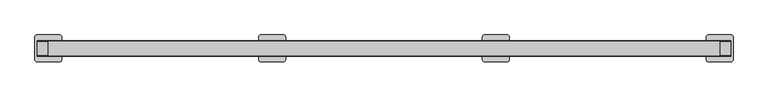
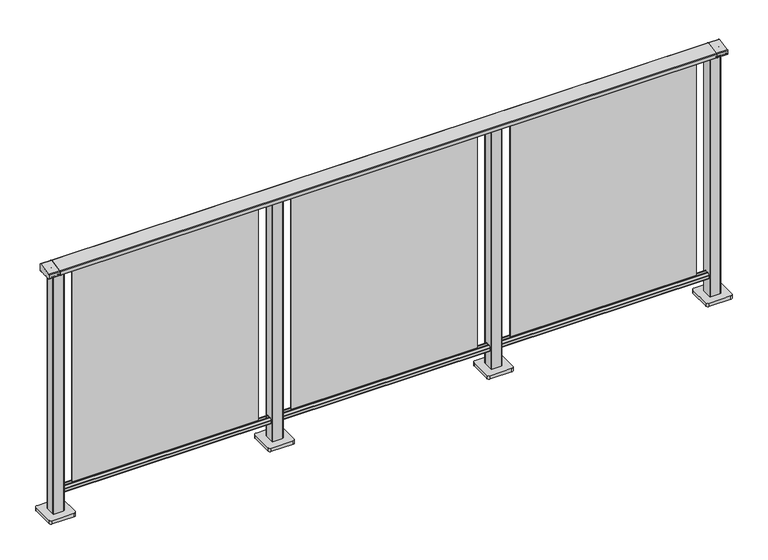
"""IFC4 building model written with IfcOpenShell, lengths in millimetres: railing geometry."""

from ifc_helpers import new_model, si_unit, point, frame, frame_2d, origin, origin_with_axes, place, context, project, spatial, polyline, circle_curve, trimmed, segment, composite_curve, outline, extrude, source, transform, mapped, element, save
from ifc_brep_helpers import plane_surface, cylinder_surface, advanced_brep


def railing_aa42b84e(model_context):
    return source(origin(), model_context, "Body", "SolidModel", [
        extrude(outline(composite_curve([segment(trimmed(circle_curve(frame_2d((10327.8594975, 1197.0)), 3.0), [point((10327.338553, 1199.9544233))], [point((10330.8594975, 1197.0))], False, "CARTESIAN"), True, "CONTINUOUS"), segment(polyline([(10330.8594975, 1197.0), (10330.8594975, 1169.2)]), True, "CONTINUOUS"), segment(trimmed(circle_curve(frame_2d((10327.8594975, 1169.2)), 3.0), [point((10330.8594975, 1169.2))], [point((10327.8594975, 1166.2))], False, "CARTESIAN"), True, "CONTINUOUS"), segment(polyline([(10327.8594975, 1166.2), (10304.1783618, 1166.2)]), True, "CONTINUOUS"), segment(trimmed(circle_curve(frame_2d((10295.851515, 1183.2818957)), 19.003356), [point((10304.1783618, 1166.2))], [point((10287.5246681, 1166.2))], False, "CARTESIAN"), True, "CONTINUOUS"), segment(polyline([(10287.5246681, 1166.2), (10263.8594975, 1166.2)]), True, "CONTINUOUS"), segment(trimmed(circle_curve(frame_2d((10263.8594975, 1169.2)), 3.0), [point((10263.8594975, 1166.2))], [point((10260.8594975, 1169.2))], False, "CARTESIAN"), True, "CONTINUOUS"), segment(polyline([(10260.8594975, 1169.2), (10260.8594975, 1185.7150732)]), True, "CONTINUOUS"), segment(trimmed(circle_curve(frame_2d((10263.8594975, 1185.7150732)), 3.0), [point((10260.8594975, 1185.7150732))], [point((10263.338553, 1188.6694965))], False, "CARTESIAN"), True, "CONTINUOUS"), segment(polyline([(10263.338553, 1188.6694965), (10327.338553, 1199.9544233)]), True, "CONTINUOUS")], self_intersect=False)), frame((3681.3946925, 0.0, 0.0), z_axis=(1.0, 0.0, 0.0), x_axis=(0.0, 1.0, 0.0)), (0.0, 0.0, 1.0), 3000.0),
        extrude(outline(composite_curve([segment(trimmed(circle_curve(frame_2d((10280.1507946, 101.8)), 1.8), [point((10280.1507946, 100.0))], [point((10278.3507946, 101.8))], False, "CARTESIAN"), True, "CONTINUOUS"), segment(polyline([(10278.3507946, 101.8), (10278.3507946, 115.5269955)]), True, "CONTINUOUS"), segment(trimmed(circle_curve(frame_2d((10280.1507946, 115.5269955)), 1.8), [point((10278.3507946, 115.5269955))], [point((10278.7923377, 116.7079252))], False, "CARTESIAN"), True, "CONTINUOUS"), segment(polyline([(10278.7923377, 116.7079252), (10285.4626112, 124.3809297)]), True, "CONTINUOUS"), segment(trimmed(circle_curve(frame_2d((10286.8210681, 123.2)), 1.8), [point((10285.4626112, 124.3809297))], [point((10286.8210681, 125.0))], False, "CARTESIAN"), True, "CONTINUOUS"), segment(polyline([(10286.8210681, 125.0), (10290.5111103, 125.0), (10291.809167, 113.0), (10299.8924651, 113.0), (10301.1904968, 125.0), (10304.880515, 125.0)]), True, "CONTINUOUS"), segment(trimmed(circle_curve(frame_2d((10304.880515, 123.2)), 1.8), [point((10304.880515, 125.0))], [point((10306.2389697, 124.3809322))], False, "CARTESIAN"), True, "CONTINUOUS"), segment(polyline([(10306.2389697, 124.3809322), (10312.9092682, 116.7079277)]), True, "CONTINUOUS"), segment(trimmed(circle_curve(frame_2d((10311.5508136, 115.5269955)), 1.8), [point((10312.9092682, 116.7079277))], [point((10313.3508136, 115.5269955))], False, "CARTESIAN"), True, "CONTINUOUS"), segment(polyline([(10313.3508136, 115.5269955), (10313.3508136, 101.8)]), True, "CONTINUOUS"), segment(trimmed(circle_curve(frame_2d((10311.5508136, 101.8)), 1.8), [point((10313.3508136, 101.8))], [point((10311.5508136, 100.0))], False, "CARTESIAN"), True, "CONTINUOUS"), segment(polyline([(10311.5508136, 100.0), (10280.1507946, 100.0)]), True, "CONTINUOUS")], self_intersect=False)), frame((3681.3946925, 0.0, 0.0), z_axis=(1.0, 0.0, 0.0), x_axis=(0.0, 1.0, 0.0)), (0.0, 0.0, 1.0), 3000.0),
        extrude(outline(polyline([(5756.3946925, 10293.8508041), (5756.3946925, 10297.8508041), (6606.3946925, 10297.8508041), (6606.3946925, 10293.8508041), (5756.3946925, 10293.8508041)])), frame((0.0, 0.0, 125.0), z_axis=(0.0, 0.0, 1.0), x_axis=(1.0, 0.0, 0.0)), (0.0, 0.0, 1.0), 1039.2785397),
        extrude(outline(composite_curve([segment(polyline([(5655.994681, 10273.4507816), (5655.994681, 10318.2508046)]), True, "CONTINUOUS"), segment(trimmed(circle_curve(frame_2d((5658.994681, 10318.2508046)), 3.0), [point((5655.994681, 10318.2508046))], [point((5658.994681, 10321.2508046))], False, "CARTESIAN"), True, "CONTINUOUS"), segment(polyline([(5658.994681, 10321.2508046), (5703.794704, 10321.2508046)]), True, "CONTINUOUS"), segment(trimmed(circle_curve(frame_2d((5703.794704, 10318.2508046)), 3.0), [point((5703.794704, 10321.2508046))], [point((5706.794704, 10318.2508046))], False, "CARTESIAN"), True, "CONTINUOUS"), segment(polyline([(5706.794704, 10318.2508046), (5706.794704, 10273.4507816)]), True, "CONTINUOUS"), segment(trimmed(circle_curve(frame_2d((5703.794704, 10273.4507816)), 3.0), [point((5706.794704, 10273.4507816))], [point((5703.794704, 10270.4507816))], False, "CARTESIAN"), True, "CONTINUOUS"), segment(polyline([(5703.794704, 10270.4507816), (5658.994681, 10270.4507816)]), True, "CONTINUOUS"), segment(trimmed(circle_curve(frame_2d((5658.994681, 10273.4507816)), 3.0), [point((5658.994681, 10270.4507816))], [point((5655.994681, 10273.4507816))], False, "CARTESIAN"), True, "CONTINUOUS")], self_intersect=False)), frame((0.0, 0.0, 16.0), z_axis=(0.0, 0.0, 1.0), x_axis=(1.0, 0.0, 0.0)), (0.0, 0.0, 1.0), 1148.2785397),
        extrude(outline(composite_curve([segment(polyline([(5621.394681, 10245.8507931), (5621.394681, 10345.8507931)]), True, "CONTINUOUS"), segment(trimmed(circle_curve(frame_2d((5631.394681, 10345.8507931)), 10.0), [point((5621.394681, 10345.8507931))], [point((5631.394681, 10355.8507931))], False, "CARTESIAN"), True, "CONTINUOUS"), segment(polyline([(5631.394681, 10355.8507931), (5731.394681, 10355.8507931)]), True, "CONTINUOUS"), segment(trimmed(circle_curve(frame_2d((5731.394681, 10345.8507931)), 10.0), [point((5731.394681, 10355.8507931))], [point((5741.394681, 10345.8507931))], False, "CARTESIAN"), True, "CONTINUOUS"), segment(polyline([(5741.394681, 10345.8507931), (5741.394681, 10245.8507931)]), True, "CONTINUOUS"), segment(trimmed(circle_curve(frame_2d((5731.394681, 10245.8507931)), 10.0), [point((5741.394681, 10245.8507931))], [point((5731.394681, 10235.8507931))], False, "CARTESIAN"), True, "CONTINUOUS"), segment(polyline([(5731.394681, 10235.8507931), (5631.394681, 10235.8507931)]), True, "CONTINUOUS"), segment(trimmed(circle_curve(frame_2d((5631.394681, 10245.8507931)), 10.0), [point((5631.394681, 10235.8507931))], [point((5621.394681, 10245.8507931))], False, "CARTESIAN"), True, "CONTINUOUS")], self_intersect=False)), origin_with_axes(), (0.0, 0.0, 1.0), 16.0),
        extrude(outline(polyline([(4756.3946925, 10293.8508041), (4756.3946925, 10297.8508041), (5606.3946925, 10297.8508041), (5606.3946925, 10293.8508041), (4756.3946925, 10293.8508041)])), frame((0.0, 0.0, 125.0), z_axis=(0.0, 0.0, 1.0), x_axis=(1.0, 0.0, 0.0)), (0.0, 0.0, 1.0), 1039.2785397),
        extrude(outline(composite_curve([segment(polyline([(4655.994681, 10273.4507816), (4655.994681, 10318.2508046)]), True, "CONTINUOUS"), segment(trimmed(circle_curve(frame_2d((4658.994681, 10318.2508046)), 3.0), [point((4655.994681, 10318.2508046))], [point((4658.994681, 10321.2508046))], False, "CARTESIAN"), True, "CONTINUOUS"), segment(polyline([(4658.994681, 10321.2508046), (4703.794704, 10321.2508046)]), True, "CONTINUOUS"), segment(trimmed(circle_curve(frame_2d((4703.794704, 10318.2508046)), 3.0), [point((4703.794704, 10321.2508046))], [point((4706.794704, 10318.2508046))], False, "CARTESIAN"), True, "CONTINUOUS"), segment(polyline([(4706.794704, 10318.2508046), (4706.794704, 10273.4507816)]), True, "CONTINUOUS"), segment(trimmed(circle_curve(frame_2d((4703.794704, 10273.4507816)), 3.0), [point((4706.794704, 10273.4507816))], [point((4703.794704, 10270.4507816))], False, "CARTESIAN"), True, "CONTINUOUS"), segment(polyline([(4703.794704, 10270.4507816), (4658.994681, 10270.4507816)]), True, "CONTINUOUS"), segment(trimmed(circle_curve(frame_2d((4658.994681, 10273.4507816)), 3.0), [point((4658.994681, 10270.4507816))], [point((4655.994681, 10273.4507816))], False, "CARTESIAN"), True, "CONTINUOUS")], self_intersect=False)), frame((0.0, 0.0, 16.0), z_axis=(0.0, 0.0, 1.0), x_axis=(1.0, 0.0, 0.0)), (0.0, 0.0, 1.0), 1148.2785397),
        extrude(outline(composite_curve([segment(polyline([(4621.394681, 10245.8507931), (4621.394681, 10345.8507931)]), True, "CONTINUOUS"), segment(trimmed(circle_curve(frame_2d((4631.394681, 10345.8507931)), 10.0), [point((4621.394681, 10345.8507931))], [point((4631.394681, 10355.8507931))], False, "CARTESIAN"), True, "CONTINUOUS"), segment(polyline([(4631.394681, 10355.8507931), (4731.394681, 10355.8507931)]), True, "CONTINUOUS"), segment(trimmed(circle_curve(frame_2d((4731.394681, 10345.8507931)), 10.0), [point((4731.394681, 10355.8507931))], [point((4741.394681, 10345.8507931))], False, "CARTESIAN"), True, "CONTINUOUS"), segment(polyline([(4741.394681, 10345.8507931), (4741.394681, 10245.8507931)]), True, "CONTINUOUS"), segment(trimmed(circle_curve(frame_2d((4731.394681, 10245.8507931)), 10.0), [point((4741.394681, 10245.8507931))], [point((4731.394681, 10235.8507931))], False, "CARTESIAN"), True, "CONTINUOUS"), segment(polyline([(4731.394681, 10235.8507931), (4631.394681, 10235.8507931)]), True, "CONTINUOUS"), segment(trimmed(circle_curve(frame_2d((4631.394681, 10245.8507931)), 10.0), [point((4631.394681, 10235.8507931))], [point((4621.394681, 10245.8507931))], False, "CARTESIAN"), True, "CONTINUOUS")], self_intersect=False)), origin_with_axes(), (0.0, 0.0, 1.0), 16.0),
        extrude(outline(polyline([(3756.3946925, 10293.8508041), (3756.3946925, 10297.8508041), (4606.3946925, 10297.8508041), (4606.3946925, 10293.8508041), (3756.3946925, 10293.8508041)])), frame((0.0, 0.0, 125.0), z_axis=(0.0, 0.0, 1.0), x_axis=(1.0, 0.0, 0.0)), (0.0, 0.0, 1.0), 1039.2785397),
        extrude(outline(composite_curve([segment(polyline([(6655.994681, 10273.4507816), (6655.994681, 10318.2508046)]), True, "CONTINUOUS"), segment(trimmed(circle_curve(frame_2d((6658.994681, 10318.2508046)), 3.0), [point((6655.994681, 10318.2508046))], [point((6658.994681, 10321.2508046))], False, "CARTESIAN"), True, "CONTINUOUS"), segment(polyline([(6658.994681, 10321.2508046), (6703.794704, 10321.2508046)]), True, "CONTINUOUS"), segment(trimmed(circle_curve(frame_2d((6703.794704, 10318.2508046)), 3.0), [point((6703.794704, 10321.2508046))], [point((6706.794704, 10318.2508046))], False, "CARTESIAN"), True, "CONTINUOUS"), segment(polyline([(6706.794704, 10318.2508046), (6706.794704, 10273.4507816)]), True, "CONTINUOUS"), segment(trimmed(circle_curve(frame_2d((6703.794704, 10273.4507816)), 3.0), [point((6706.794704, 10273.4507816))], [point((6703.794704, 10270.4507816))], False, "CARTESIAN"), True, "CONTINUOUS"), segment(polyline([(6703.794704, 10270.4507816), (6658.994681, 10270.4507816)]), True, "CONTINUOUS"), segment(trimmed(circle_curve(frame_2d((6658.994681, 10273.4507816)), 3.0), [point((6658.994681, 10270.4507816))], [point((6655.994681, 10273.4507816))], False, "CARTESIAN"), True, "CONTINUOUS")], self_intersect=False)), frame((0.0, 0.0, 16.0), z_axis=(0.0, 0.0, 1.0), x_axis=(1.0, 0.0, 0.0)), (0.0, 0.0, 1.0), 1148.2785397),
        extrude(outline(composite_curve([segment(polyline([(6621.394681, 10245.8507931), (6621.394681, 10345.8507931)]), True, "CONTINUOUS"), segment(trimmed(circle_curve(frame_2d((6631.394681, 10345.8507931)), 10.0), [point((6621.394681, 10345.8507931))], [point((6631.394681, 10355.8507931))], False, "CARTESIAN"), True, "CONTINUOUS"), segment(polyline([(6631.394681, 10355.8507931), (6731.394681, 10355.8507931)]), True, "CONTINUOUS"), segment(trimmed(circle_curve(frame_2d((6731.394681, 10345.8507931)), 10.0), [point((6731.394681, 10355.8507931))], [point((6741.394681, 10345.8507931))], False, "CARTESIAN"), True, "CONTINUOUS"), segment(polyline([(6741.394681, 10345.8507931), (6741.394681, 10245.8507931)]), True, "CONTINUOUS"), segment(trimmed(circle_curve(frame_2d((6731.394681, 10245.8507931)), 10.0), [point((6741.394681, 10245.8507931))], [point((6731.394681, 10235.8507931))], False, "CARTESIAN"), True, "CONTINUOUS"), segment(polyline([(6731.394681, 10235.8507931), (6631.394681, 10235.8507931)]), True, "CONTINUOUS"), segment(trimmed(circle_curve(frame_2d((6631.394681, 10245.8507931)), 10.0), [point((6631.394681, 10235.8507931))], [point((6621.394681, 10245.8507931))], False, "CARTESIAN"), True, "CONTINUOUS")], self_intersect=False)), origin_with_axes(), (0.0, 0.0, 1.0), 16.0),
        advanced_brep(
        [(6731.3946925, 10327.338553, 1199.9544233), (6731.3946925, 10263.338553, 1188.6694965), (6731.3946925, 10260.8594975, 1185.7150732), (6731.3946925, 10260.8594975, 1169.2), (6731.3946925, 10263.8594975, 1166.2), (6731.3946925, 10268.6766494, 1166.2), (6731.3946925, 10269.6055852, 1166.9000033), (6731.3946925, 10270.1055852, 1166.4000003), (6731.3946925, 10288.2660875, 1166.4000003), (6731.3946925, 10288.859963, 1165.6114192), (6731.3946925, 10302.8396379, 1165.6106384), (6731.3946925, 10303.4355206, 1166.4000003), (6731.3946925, 10321.5455028, 1166.4000003), (6731.3946925, 10322.1185784, 1166.9730759), (6731.3946925, 10323.0095836, 1166.2), (6731.3946925, 10327.8594975, 1166.2), (6731.3946925, 10330.8594975, 1169.2), (6731.3946925, 10330.8594975, 1197.0), (6681.3946925, 10327.338553, 1199.9544233), (6681.3946925, 10330.8594975, 1197.0), (6681.3946925, 10330.8594975, 1169.2), (6681.3946925, 10327.8594975, 1166.2), (6681.3946925, 10323.0095836, 1166.2), (6681.3946925, 10322.1185784, 1166.9730759), (6681.3946925, 10321.5455028, 1166.4000003), (6681.3946925, 10303.4355206, 1166.4000003), (6681.3946925, 10302.8430669, 1165.6114192), (6681.3946925, 10288.8599685, 1165.6114328), (6681.3946925, 10288.2660875, 1166.4000003), (6681.3946925, 10270.1055852, 1166.4000003), (6681.3946925, 10269.6055852, 1166.9000033), (6681.3946925, 10268.6766494, 1166.2), (6681.3946925, 10263.8594975, 1166.2), (6681.3946925, 10260.8594975, 1169.2), (6681.3946925, 10260.8594975, 1185.7150732), (6681.3946925, 10263.338553, 1188.6694965)],
        [
            (0, 1),
            (1, 2, circle_curve(frame((6731.3946925, 10263.8594975, 1185.7150732), z_axis=(1.0, 0.0, 0.0), x_axis=(0.0, -1.0, 0.0)), 3.0)),
            (2, 3),
            (3, 4, circle_curve(frame((6731.3946925, 10263.8594975, 1169.2), z_axis=(1.0, 0.0, 0.0), x_axis=(0.0, 0.0, -1.0)), 3.0)),
            (4, 5),
            (5, 6, circle_curve(frame((6731.3946925, 10268.6943877, 1167.1428319), z_axis=(1.0, 0.0, 0.0), x_axis=(0.0, 1.0, 0.0)), 0.9429987)),
            (6, 7, circle_curve(frame((6731.3946925, 10270.1055852, 1166.9000003), z_axis=(1.0, 0.0, 0.0), x_axis=(0.0, 0.0, -1.0)), 0.5)),
            (7, 8),
            (8, 9, circle_curve(frame((6731.3946925, 10289.2114065, 1166.4940192), z_axis=(1.0, 0.0, 0.0), x_axis=(0.0, -1.0, 0.0)), 0.9499829)),
            (9, 10, circle_curve(frame((6731.3946925, 10295.851515, 1183.2818957), z_axis=(1.0, 0.0, 0.0), x_axis=(0.0, 1.0, 0.0)), 19.003356)),
            (10, 11, circle_curve(frame((6731.3946925, 10302.4902016, 1166.4940192), z_axis=(1.0, 0.0, 0.0), x_axis=(0.0, 1.0, 0.0)), 0.9499829)),
            (11, 12),
            (12, 13, circle_curve(frame((6731.3946925, 10321.5455028, 1166.9730759), z_axis=(1.0, 0.0, 0.0), x_axis=(0.0, 1.0, 0.0)), 0.5730756)),
            (13, 14, circle_curve(frame((6731.3946925, 10323.0095836, 1167.1), z_axis=(1.0, 0.0, 0.0), x_axis=(0.0, 0.0, -1.0)), 0.9)),
            (14, 15),
            (15, 16, circle_curve(frame((6731.3946925, 10327.8594975, 1169.2), z_axis=(1.0, 0.0, 0.0), x_axis=(0.0, 1.0, 0.0)), 3.0)),
            (16, 17),
            (17, 0, circle_curve(frame((6731.3946925, 10327.8594975, 1197.0), z_axis=(1.0, 0.0, 0.0), x_axis=(0.0, -0.1736481776670499, 0.984807753012187)), 3.0)),
            (18, 19, circle_curve(frame((6681.3946925, 10327.8594975, 1197.0), z_axis=(-1.0, 0.0, 0.0), x_axis=(0.0, -0.1736481776670499, 0.984807753012187)), 3.0)),
            (19, 20),
            (20, 21, circle_curve(frame((6681.3946925, 10327.8594975, 1169.2), z_axis=(-1.0, 0.0, 0.0), x_axis=(0.0, 1.0, 0.0)), 3.0)),
            (21, 22),
            (22, 23, circle_curve(frame((6681.3946925, 10323.0095836, 1167.1), z_axis=(-1.0, 0.0, 0.0), x_axis=(0.0, 0.0, -1.0)), 0.9)),
            (23, 24, circle_curve(frame((6681.3946925, 10321.5455028, 1166.9730759), z_axis=(-1.0, 0.0, 0.0), x_axis=(0.0, 1.0, 0.0)), 0.5730756)),
            (24, 25),
            (25, 26, circle_curve(frame((6681.3946925, 10302.4902016, 1166.4940192), z_axis=(-1.0, 0.0, 0.0), x_axis=(0.0, 1.0, 0.0)), 0.9499829)),
            (26, 27, circle_curve(frame((6681.3946925, 10295.851515, 1183.2818957), z_axis=(-1.0, 0.0, 0.0), x_axis=(0.0, 1.0, 0.0)), 19.003356)),
            (27, 28, circle_curve(frame((6681.3946925, 10289.2114065, 1166.4940192), z_axis=(-1.0, 0.0, 0.0), x_axis=(0.0, -1.0, 0.0)), 0.9499829)),
            (28, 29),
            (29, 30, circle_curve(frame((6681.3946925, 10270.1055852, 1166.9000003), z_axis=(-1.0, 0.0, 0.0), x_axis=(0.0, 0.0, -1.0)), 0.5)),
            (30, 31, circle_curve(frame((6681.3946925, 10268.6943877, 1167.1428319), z_axis=(-1.0, 0.0, 0.0), x_axis=(0.0, 1.0, 0.0)), 0.9429987)),
            (31, 32),
            (32, 33, circle_curve(frame((6681.3946925, 10263.8594975, 1169.2), z_axis=(-1.0, 0.0, 0.0), x_axis=(0.0, 0.0, -1.0)), 3.0)),
            (33, 34),
            (34, 35, circle_curve(frame((6681.3946925, 10263.8594975, 1185.7150732), z_axis=(-1.0, 0.0, 0.0), x_axis=(0.0, -1.0, 0.0)), 3.0)),
            (35, 18),
            (17, 19),
            (18, 0),
            (16, 20),
            (15, 21),
            (14, 22),
            (13, 23),
            (12, 24),
            (11, 25),
            (10, 26),
            (9, 27),
            (8, 28),
            (7, 29),
            (6, 30),
            (5, 31),
            (4, 32),
            (3, 33),
            (2, 34),
            (1, 35),
        ],
        [
            plane_surface(frame((6731.3946925, 10295.8508041, 1168.2356773), z_axis=(1.0, 0.0, 0.0), x_axis=(0.0, -1.0, 0.0))),
            plane_surface(frame((6681.3946925, 10295.8508041, 1168.2356773), z_axis=(-1.0, 0.0, 0.0), x_axis=(0.0, -1.0, 0.0))),
            cylinder_surface(frame((6731.3946925, 10327.8594975, 1197.0), z_axis=(1.0000000000000002, 0.0, 0.0), x_axis=(0.0, -0.1736481776670499, 0.984807753012187)), 3.0),
            plane_surface(frame((6731.3946925, 10330.8594975, 1197.0), z_axis=(0.0, 1.0, 0.0), x_axis=(-1.0, 0.0, 0.0))),
            cylinder_surface(frame((6731.3946925, 10327.8594975, 1169.2), z_axis=(1.0, 0.0, 0.0), x_axis=(0.0, 1.0, 0.0)), 3.0),
            plane_surface(frame((6731.3946925, 10327.8594975, 1166.2), z_axis=(0.0, 0.0, -1.0), x_axis=(-1.0, 0.0, 0.0))),
            cylinder_surface(frame((6731.3946925, 10323.0095836, 1167.1), z_axis=(1.0, 0.0, 0.0), x_axis=(0.0, 0.0, -1.0)), 0.9),
            cylinder_surface(frame((6731.3946925, 10321.5455028, 1166.9730759), z_axis=(1.0, 0.0, 0.0), x_axis=(0.0, 1.0, 0.0)), 0.5730756),
            plane_surface(frame((6731.3946925, 10321.5455028, 1166.4000003), z_axis=(0.0, 0.0, -1.0), x_axis=(-1.0, 0.0, 0.0))),
            cylinder_surface(frame((6731.3946925, 10302.4902016, 1166.4940192), z_axis=(1.0, 0.0, 0.0), x_axis=(0.0, 1.0, 0.0)), 0.9499829),
            cylinder_surface(frame((6731.3946925, 10295.851515, 1183.2818957), z_axis=(1.0, 0.0, 0.0), x_axis=(0.0, 1.0, 0.0)), 19.003356),
            cylinder_surface(frame((6731.3946925, 10289.2114065, 1166.4940192), z_axis=(1.0, 0.0, 0.0), x_axis=(0.0, -1.0, 0.0)), 0.9499829),
            plane_surface(frame((6731.3946925, 10288.2660875, 1166.4000003), z_axis=(0.0, 0.0, -1.0), x_axis=(-1.0, 0.0, 0.0))),
            cylinder_surface(frame((6731.3946925, 10270.1055852, 1166.9000003), z_axis=(1.0, 0.0, 0.0), x_axis=(0.0, 0.0, -1.0)), 0.5),
            cylinder_surface(frame((6731.3946925, 10268.6943877, 1167.1428319), z_axis=(1.0, 0.0, 0.0), x_axis=(0.0, 1.0, 0.0)), 0.9429987),
            plane_surface(frame((6731.3946925, 10268.6766494, 1166.2), z_axis=(0.0, 0.0, -1.0), x_axis=(-1.0, 0.0, 0.0))),
            cylinder_surface(frame((6731.3946925, 10263.8594975, 1169.2), z_axis=(1.0, 0.0, 0.0), x_axis=(0.0, 0.0, -1.0)), 3.0),
            plane_surface(frame((6731.3946925, 10260.8594975, 1169.2), z_axis=(0.0, -1.0, 0.0), x_axis=(-1.0, 0.0, 0.0))),
            cylinder_surface(frame((6731.3946925, 10263.8594975, 1185.7150732), z_axis=(1.0, 0.0, 0.0), x_axis=(0.0, -1.0, 0.0)), 3.0),
            plane_surface(frame((6731.3946925, 10263.338553, 1188.6694965), z_axis=(0.0, -0.17364817766695742, 0.9848077530122034), x_axis=(-1.0, 0.0, 0.0))),
        ],
        [
            (0, [[1, 2, 3, 4, 5, 6, 7, 8, 9, 10, 11, 12, 13, 14, 15, 16, 17, 18]]),
            (1, [[19, 20, 21, 22, 23, 24, 25, 26, 27, 28, 29, 30, 31, 32, 33, 34, 35, 36]]),
            (2, [[37, -19, 38, -18]]),
            (3, [[39, -20, -37, -17]]),
            (4, [[40, -21, -39, -16]]),
            (5, [[41, -22, -40, -15]]),
            (6, [[42, -23, -41, -14]]),
            (7, [[43, -24, -42, -13]]),
            (8, [[44, -25, -43, -12]]),
            (9, [[45, -26, -44, -11]]),
            (10, [[46, -27, -45, -10]]),
            (11, [[47, -28, -46, -9]]),
            (12, [[48, -29, -47, -8]]),
            (13, [[49, -30, -48, -7]]),
            (14, [[50, -31, -49, -6]]),
            (15, [[51, -32, -50, -5]]),
            (16, [[52, -33, -51, -4]]),
            (17, [[53, -34, -52, -3]]),
            (18, [[54, -35, -53, -2]]),
            (19, [[-38, -36, -54, -1]]),
        ],
    ),
        extrude(outline(composite_curve([segment(polyline([(3655.994681, 10273.4507816), (3655.994681, 10318.2508046)]), True, "CONTINUOUS"), segment(trimmed(circle_curve(frame_2d((3658.994681, 10318.2508046)), 3.0), [point((3655.994681, 10318.2508046))], [point((3658.994681, 10321.2508046))], False, "CARTESIAN"), True, "CONTINUOUS"), segment(polyline([(3658.994681, 10321.2508046), (3703.794704, 10321.2508046)]), True, "CONTINUOUS"), segment(trimmed(circle_curve(frame_2d((3703.794704, 10318.2508046)), 3.0), [point((3703.794704, 10321.2508046))], [point((3706.794704, 10318.2508046))], False, "CARTESIAN"), True, "CONTINUOUS"), segment(polyline([(3706.794704, 10318.2508046), (3706.794704, 10273.4507816)]), True, "CONTINUOUS"), segment(trimmed(circle_curve(frame_2d((3703.794704, 10273.4507816)), 3.0), [point((3706.794704, 10273.4507816))], [point((3703.794704, 10270.4507816))], False, "CARTESIAN"), True, "CONTINUOUS"), segment(polyline([(3703.794704, 10270.4507816), (3658.994681, 10270.4507816)]), True, "CONTINUOUS"), segment(trimmed(circle_curve(frame_2d((3658.994681, 10273.4507816)), 3.0), [point((3658.994681, 10270.4507816))], [point((3655.994681, 10273.4507816))], False, "CARTESIAN"), True, "CONTINUOUS")], self_intersect=False)), frame((0.0, 0.0, 16.0), z_axis=(0.0, 0.0, 1.0), x_axis=(1.0, 0.0, 0.0)), (0.0, 0.0, 1.0), 1148.2785397),
        extrude(outline(composite_curve([segment(polyline([(3621.394681, 10245.8507931), (3621.394681, 10345.8507931)]), True, "CONTINUOUS"), segment(trimmed(circle_curve(frame_2d((3631.394681, 10345.8507931)), 10.0), [point((3621.394681, 10345.8507931))], [point((3631.394681, 10355.8507931))], False, "CARTESIAN"), True, "CONTINUOUS"), segment(polyline([(3631.394681, 10355.8507931), (3731.394681, 10355.8507931)]), True, "CONTINUOUS"), segment(trimmed(circle_curve(frame_2d((3731.394681, 10345.8507931)), 10.0), [point((3731.394681, 10355.8507931))], [point((3741.394681, 10345.8507931))], False, "CARTESIAN"), True, "CONTINUOUS"), segment(polyline([(3741.394681, 10345.8507931), (3741.394681, 10245.8507931)]), True, "CONTINUOUS"), segment(trimmed(circle_curve(frame_2d((3731.394681, 10245.8507931)), 10.0), [point((3741.394681, 10245.8507931))], [point((3731.394681, 10235.8507931))], False, "CARTESIAN"), True, "CONTINUOUS"), segment(polyline([(3731.394681, 10235.8507931), (3631.394681, 10235.8507931)]), True, "CONTINUOUS"), segment(trimmed(circle_curve(frame_2d((3631.394681, 10245.8507931)), 10.0), [point((3631.394681, 10235.8507931))], [point((3621.394681, 10245.8507931))], False, "CARTESIAN"), True, "CONTINUOUS")], self_intersect=False)), origin_with_axes(), (0.0, 0.0, 1.0), 16.0),
        advanced_brep(
        [(3681.3946925, 10327.338553, 1199.9544233), (3681.3946925, 10263.338553, 1188.6694965), (3681.3946925, 10260.8594975, 1185.7150732), (3681.3946925, 10260.8594975, 1169.2), (3681.3946925, 10263.8594975, 1166.2), (3681.3946925, 10268.6766494, 1166.2), (3681.3946925, 10269.6055852, 1166.9000033), (3681.3946925, 10270.1055852, 1166.4000003), (3681.3946925, 10288.2660875, 1166.4000003), (3681.3946925, 10288.859963, 1165.6114192), (3681.3946925, 10302.8396379, 1165.6106384), (3681.3946925, 10303.4355206, 1166.4000003), (3681.3946925, 10321.5455028, 1166.4000003), (3681.3946925, 10322.1185784, 1166.9730759), (3681.3946925, 10323.0095836, 1166.2), (3681.3946925, 10327.8594975, 1166.2), (3681.3946925, 10330.8594975, 1169.2), (3681.3946925, 10330.8594975, 1197.0), (3631.3946925, 10327.338553, 1199.9544233), (3631.3946925, 10330.8594975, 1197.0), (3631.3946925, 10330.8594975, 1169.2), (3631.3946925, 10327.8594975, 1166.2), (3631.3946925, 10323.0095836, 1166.2), (3631.3946925, 10322.1185784, 1166.9730759), (3631.3946925, 10321.5455028, 1166.4000003), (3631.3946925, 10303.4355206, 1166.4000003), (3631.3946925, 10302.8430669, 1165.6114192), (3631.3946925, 10288.8599685, 1165.6114328), (3631.3946925, 10288.2660875, 1166.4000003), (3631.3946925, 10270.1055852, 1166.4000003), (3631.3946925, 10269.6055852, 1166.9000033), (3631.3946925, 10268.6766494, 1166.2), (3631.3946925, 10263.8594975, 1166.2), (3631.3946925, 10260.8594975, 1169.2), (3631.3946925, 10260.8594975, 1185.7150732), (3631.3946925, 10263.338553, 1188.6694965)],
        [
            (0, 1),
            (1, 2, circle_curve(frame((3681.3946925, 10263.8594975, 1185.7150732), z_axis=(1.0, 0.0, 0.0), x_axis=(0.0, -1.0, 0.0)), 3.0)),
            (2, 3),
            (3, 4, circle_curve(frame((3681.3946925, 10263.8594975, 1169.2), z_axis=(1.0, 0.0, 0.0), x_axis=(0.0, 0.0, -1.0)), 3.0)),
            (4, 5),
            (5, 6, circle_curve(frame((3681.3946925, 10268.6943877, 1167.1428319), z_axis=(1.0, 0.0, 0.0), x_axis=(0.0, 1.0, 0.0)), 0.9429987)),
            (6, 7, circle_curve(frame((3681.3946925, 10270.1055852, 1166.9000003), z_axis=(1.0, 0.0, 0.0), x_axis=(0.0, 0.0, -1.0)), 0.5)),
            (7, 8),
            (8, 9, circle_curve(frame((3681.3946925, 10289.2114065, 1166.4940192), z_axis=(1.0, 0.0, 0.0), x_axis=(0.0, -1.0, 0.0)), 0.9499829)),
            (9, 10, circle_curve(frame((3681.3946925, 10295.851515, 1183.2818957), z_axis=(1.0, 0.0, 0.0), x_axis=(0.0, 1.0, 0.0)), 19.003356)),
            (10, 11, circle_curve(frame((3681.3946925, 10302.4902016, 1166.4940192), z_axis=(1.0, 0.0, 0.0), x_axis=(0.0, 1.0, 0.0)), 0.9499829)),
            (11, 12),
            (12, 13, circle_curve(frame((3681.3946925, 10321.5455028, 1166.9730759), z_axis=(1.0, 0.0, 0.0), x_axis=(0.0, 1.0, 0.0)), 0.5730756)),
            (13, 14, circle_curve(frame((3681.3946925, 10323.0095836, 1167.1), z_axis=(1.0, 0.0, 0.0), x_axis=(0.0, 0.0, -1.0)), 0.9)),
            (14, 15),
            (15, 16, circle_curve(frame((3681.3946925, 10327.8594975, 1169.2), z_axis=(1.0, 0.0, 0.0), x_axis=(0.0, 1.0, 0.0)), 3.0)),
            (16, 17),
            (17, 0, circle_curve(frame((3681.3946925, 10327.8594975, 1197.0), z_axis=(1.0, 0.0, 0.0), x_axis=(0.0, -0.1736481776670499, 0.984807753012187)), 3.0)),
            (18, 19, circle_curve(frame((3631.3946925, 10327.8594975, 1197.0), z_axis=(-1.0, 0.0, 0.0), x_axis=(0.0, -0.1736481776670499, 0.984807753012187)), 3.0)),
            (19, 20),
            (20, 21, circle_curve(frame((3631.3946925, 10327.8594975, 1169.2), z_axis=(-1.0, 0.0, 0.0), x_axis=(0.0, 1.0, 0.0)), 3.0)),
            (21, 22),
            (22, 23, circle_curve(frame((3631.3946925, 10323.0095836, 1167.1), z_axis=(-1.0, 0.0, 0.0), x_axis=(0.0, 0.0, -1.0)), 0.9)),
            (23, 24, circle_curve(frame((3631.3946925, 10321.5455028, 1166.9730759), z_axis=(-1.0, 0.0, 0.0), x_axis=(0.0, 1.0, 0.0)), 0.5730756)),
            (24, 25),
            (25, 26, circle_curve(frame((3631.3946925, 10302.4902016, 1166.4940192), z_axis=(-1.0, 0.0, 0.0), x_axis=(0.0, 1.0, 0.0)), 0.9499829)),
            (26, 27, circle_curve(frame((3631.3946925, 10295.851515, 1183.2818957), z_axis=(-1.0, 0.0, 0.0), x_axis=(0.0, 1.0, 0.0)), 19.003356)),
            (27, 28, circle_curve(frame((3631.3946925, 10289.2114065, 1166.4940192), z_axis=(-1.0, 0.0, 0.0), x_axis=(0.0, -1.0, 0.0)), 0.9499829)),
            (28, 29),
            (29, 30, circle_curve(frame((3631.3946925, 10270.1055852, 1166.9000003), z_axis=(-1.0, 0.0, 0.0), x_axis=(0.0, 0.0, -1.0)), 0.5)),
            (30, 31, circle_curve(frame((3631.3946925, 10268.6943877, 1167.1428319), z_axis=(-1.0, 0.0, 0.0), x_axis=(0.0, 1.0, 0.0)), 0.9429987)),
            (31, 32),
            (32, 33, circle_curve(frame((3631.3946925, 10263.8594975, 1169.2), z_axis=(-1.0, 0.0, 0.0), x_axis=(0.0, 0.0, -1.0)), 3.0)),
            (33, 34),
            (34, 35, circle_curve(frame((3631.3946925, 10263.8594975, 1185.7150732), z_axis=(-1.0, 0.0, 0.0), x_axis=(0.0, -1.0, 0.0)), 3.0)),
            (35, 18),
            (17, 19),
            (18, 0),
            (16, 20),
            (15, 21),
            (14, 22),
            (13, 23),
            (12, 24),
            (11, 25),
            (10, 26),
            (9, 27),
            (8, 28),
            (7, 29),
            (6, 30),
            (5, 31),
            (4, 32),
            (3, 33),
            (2, 34),
            (1, 35),
        ],
        [
            plane_surface(frame((3681.3946925, 10295.8508041, 1168.2356773), z_axis=(1.0, 0.0, 0.0), x_axis=(0.0, -1.0, 0.0))),
            plane_surface(frame((3631.3946925, 10295.8508041, 1168.2356773), z_axis=(-1.0, 0.0, 0.0), x_axis=(0.0, -1.0, 0.0))),
            cylinder_surface(frame((3681.3946925, 10327.8594975, 1197.0), z_axis=(1.0000000000000002, 0.0, 0.0), x_axis=(0.0, -0.1736481776670499, 0.984807753012187)), 3.0),
            plane_surface(frame((3681.3946925, 10330.8594975, 1197.0), z_axis=(0.0, 1.0, 0.0), x_axis=(-1.0, 0.0, 0.0))),
            cylinder_surface(frame((3681.3946925, 10327.8594975, 1169.2), z_axis=(1.0, 0.0, 0.0), x_axis=(0.0, 1.0, 0.0)), 3.0),
            plane_surface(frame((3681.3946925, 10327.8594975, 1166.2), z_axis=(0.0, 0.0, -1.0), x_axis=(-1.0, 0.0, 0.0))),
            cylinder_surface(frame((3681.3946925, 10323.0095836, 1167.1), z_axis=(1.0, 0.0, 0.0), x_axis=(0.0, 0.0, -1.0)), 0.9),
            cylinder_surface(frame((3681.3946925, 10321.5455028, 1166.9730759), z_axis=(1.0, 0.0, 0.0), x_axis=(0.0, 1.0, 0.0)), 0.5730756),
            plane_surface(frame((3681.3946925, 10321.5455028, 1166.4000003), z_axis=(0.0, 0.0, -1.0), x_axis=(-1.0, 0.0, 0.0))),
            cylinder_surface(frame((3681.3946925, 10302.4902016, 1166.4940192), z_axis=(1.0, 0.0, 0.0), x_axis=(0.0, 1.0, 0.0)), 0.9499829),
            cylinder_surface(frame((3681.3946925, 10295.851515, 1183.2818957), z_axis=(1.0, 0.0, 0.0), x_axis=(0.0, 1.0, 0.0)), 19.003356),
            cylinder_surface(frame((3681.3946925, 10289.2114065, 1166.4940192), z_axis=(1.0, 0.0, 0.0), x_axis=(0.0, -1.0, 0.0)), 0.9499829),
            plane_surface(frame((3681.3946925, 10288.2660875, 1166.4000003), z_axis=(0.0, 0.0, -1.0), x_axis=(-1.0, 0.0, 0.0))),
            cylinder_surface(frame((3681.3946925, 10270.1055852, 1166.9000003), z_axis=(1.0, 0.0, 0.0), x_axis=(0.0, 0.0, -1.0)), 0.5),
            cylinder_surface(frame((3681.3946925, 10268.6943877, 1167.1428319), z_axis=(1.0, 0.0, 0.0), x_axis=(0.0, 1.0, 0.0)), 0.9429987),
            plane_surface(frame((3681.3946925, 10268.6766494, 1166.2), z_axis=(0.0, 0.0, -1.0), x_axis=(-1.0, 0.0, 0.0))),
            cylinder_surface(frame((3681.3946925, 10263.8594975, 1169.2), z_axis=(1.0, 0.0, 0.0), x_axis=(0.0, 0.0, -1.0)), 3.0),
            plane_surface(frame((3681.3946925, 10260.8594975, 1169.2), z_axis=(0.0, -1.0, 0.0), x_axis=(-1.0, 0.0, 0.0))),
            cylinder_surface(frame((3681.3946925, 10263.8594975, 1185.7150732), z_axis=(1.0, 0.0, 0.0), x_axis=(0.0, -1.0, 0.0)), 3.0),
            plane_surface(frame((3681.3946925, 10263.338553, 1188.6694965), z_axis=(0.0, -0.17364817766695742, 0.9848077530122034), x_axis=(-1.0, 0.0, 0.0))),
        ],
        [
            (0, [[1, 2, 3, 4, 5, 6, 7, 8, 9, 10, 11, 12, 13, 14, 15, 16, 17, 18]]),
            (1, [[19, 20, 21, 22, 23, 24, 25, 26, 27, 28, 29, 30, 31, 32, 33, 34, 35, 36]]),
            (2, [[37, -19, 38, -18]]),
            (3, [[39, -20, -37, -17]]),
            (4, [[40, -21, -39, -16]]),
            (5, [[41, -22, -40, -15]]),
            (6, [[42, -23, -41, -14]]),
            (7, [[43, -24, -42, -13]]),
            (8, [[44, -25, -43, -12]]),
            (9, [[45, -26, -44, -11]]),
            (10, [[46, -27, -45, -10]]),
            (11, [[47, -28, -46, -9]]),
            (12, [[48, -29, -47, -8]]),
            (13, [[49, -30, -48, -7]]),
            (14, [[50, -31, -49, -6]]),
            (15, [[51, -32, -50, -5]]),
            (16, [[52, -33, -51, -4]]),
            (17, [[53, -34, -52, -3]]),
            (18, [[54, -35, -53, -2]]),
            (19, [[-38, -36, -54, -1]]),
        ],
    ),
    ])


if __name__ == "__main__":
    model = new_model("IFC4")
    model_context = context("Model", 3, world=origin())
    ifc_project = project(units=[si_unit("LENGTHUNIT", "METRE", prefix="MILLI")], contexts=[model_context])
    site = spatial("IfcSite", under=ifc_project)
    building = spatial("IfcBuilding", under=site)
    placement = place(None, origin())
    railing_shape = railing_aa42b84e(model_context)
    element("IfcRailing", 1, at=placement, inside=building, context=model_context, shape_type="MappedRepresentation", body=[
        mapped(railing_shape, transform((0.0, 0.0, 0.0), x_axis=(1.0, 0.0, 0.0), y_axis=(0.0, 1.0, 0.0), z_axis=(0.0, 0.0, 1.0))),
    ])
    save(model, "model.ifc")
